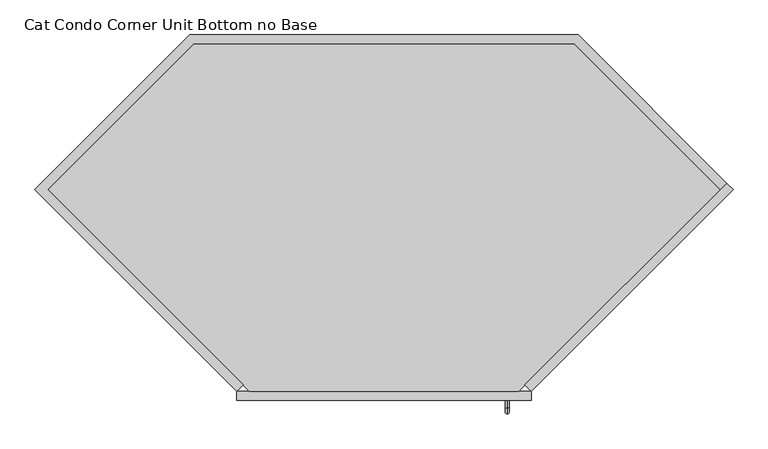
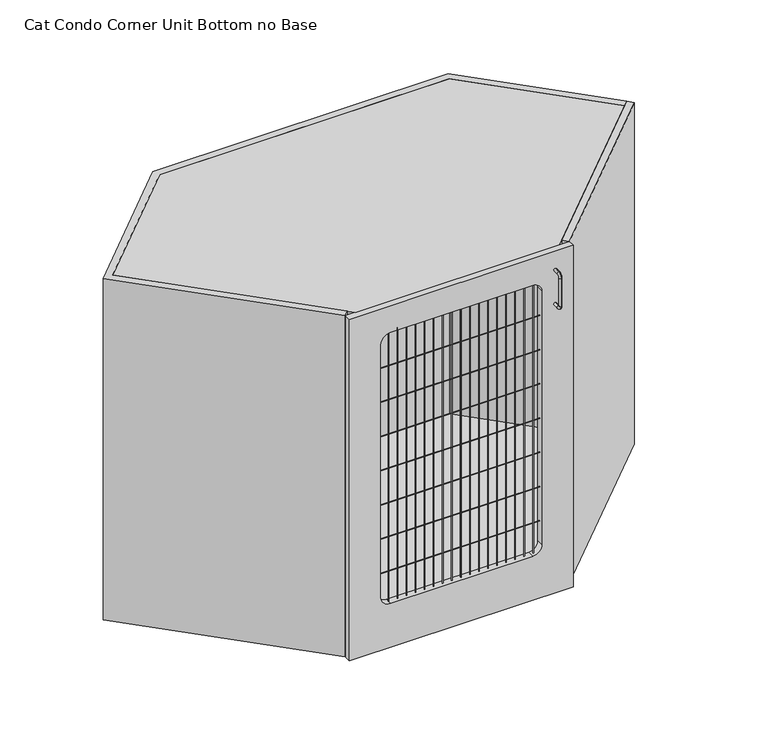
"""IFC4 building model written with IfcOpenShell, lengths in millimetres: proxy geometry, Cat Condo Corner Unit Bottom no Base."""

import ifcopenshell
import ifcopenshell.guid

model = None  # the IFC model being written
_history = None  # IfcOwnerHistory: only IFC2X3 demands one
_inside = {}  # id of a spatial element -> (the spatial element, [elements in it])
_under = {}  # id of a project, library or spatial element -> (it, [spatial elements below it])
_declared = {}  # id of a project -> (the project, [libraries it declares])
_typed = {}  # id of a type object -> (the type object, [elements of that type])
_made_of = {}  # id of a material, layer set ... -> (it, [elements and type objects made of it])


def new_model(schema):
    """Start an empty IFC model of exactly this schema.

    Asked for "IFC4X3", IfcOpenShell would pick the latest addendum, in which some entities
    have other attributes; the version numbers below select the first issue.
    IFC2X3 requires an IfcOwnerHistory on every rooted entity: one is made here for all.
    """
    global model, _history
    if schema == "IFC4X3":
        model = ifcopenshell.file(schema_version=(4, 3, 0, 0))
    else:
        model = ifcopenshell.file(schema=schema)
    _inside.clear()
    _under.clear()
    _declared.clear()
    _typed.clear()
    _made_of.clear()
    _history = None
    if model.schema == "IFC2X3":
        org = make("IfcOrganization", Name="unknown")
        user = make(
            "IfcPersonAndOrganization",
            ThePerson=make("IfcPerson", FamilyName="unknown"),
            TheOrganization=org,
        )
        app = make(
            "IfcApplication",
            ApplicationDeveloper=org,
            Version="unknown",
            ApplicationFullName="unknown",
            ApplicationIdentifier="unknown",
        )
        _history = make(
            "IfcOwnerHistory",
            OwningUser=user,
            OwningApplication=app,
            ChangeAction="ADDED",
            CreationDate=0,
        )
    return model


def make(cls, **values):
    """One entity of the class cls with the attributes given. An attribute that is None is left unset."""
    return model.create_entity(
        cls, **{name: value for name, value in values.items() if value is not None}
    )


def rooted(cls, **values):
    """An entity with a GlobalId (a new one), such as an element, a storey or a relation."""
    return make(cls, GlobalId=ifcopenshell.guid.new(), OwnerHistory=_history, **values)


def si_unit(unit_type, name, prefix=None):
    """IfcSIUnit, for example si_unit("LENGTHUNIT", "METRE", prefix="MILLI")."""
    return make("IfcSIUnit", UnitType=unit_type, Prefix=prefix, Name=name)


def assignment(units):
    """IfcUnitAssignment: the units of a project."""
    return None if units is None else make("IfcUnitAssignment", Units=units)


def point(xyz):
    """IfcCartesianPoint."""
    return None if xyz is None else make("IfcCartesianPoint", Coordinates=xyz)


def direction(xyz):
    """IfcDirection."""
    return None if xyz is None else make("IfcDirection", DirectionRatios=xyz)


def frame(location, z_axis=None, x_axis=None):
    """IfcAxis2Placement3D, a coordinate frame: its origin and axes. An axis left out is left unset."""
    return make(
        "IfcAxis2Placement3D",
        Location=point(location),
        Axis=direction(z_axis),
        RefDirection=direction(x_axis),
    )


def frame_2d(location, x_axis=None):
    """IfcAxis2Placement2D, a coordinate frame in the plane: its origin and x axis."""
    return make(
        "IfcAxis2Placement2D", Location=point(location), RefDirection=direction(x_axis)
    )


def origin():
    """The frame at (0, 0, 0) with its axes left unset."""
    return frame((0.0, 0.0, 0.0))


def place(relative_to, where):
    """IfcLocalPlacement: puts the frame where relative to a parent placement (None: the world)."""
    return make(
        "IfcLocalPlacement", PlacementRelTo=relative_to, RelativePlacement=where
    )


def context(
    kind, dimensions, precision=None, world=None, true_north=None, identifier=None
):
    """IfcGeometricRepresentationContext, for example the 3D "Model" context."""
    return make(
        "IfcGeometricRepresentationContext",
        ContextIdentifier=identifier,
        ContextType=kind,
        CoordinateSpaceDimension=dimensions,
        Precision=precision,
        WorldCoordinateSystem=world,
        TrueNorth=true_north,
    )


def project(units=None, contexts=None):
    """IfcProject with its units and contexts."""
    return rooted(
        "IfcProject",
        Name="project",
        RepresentationContexts=contexts,
        UnitsInContext=assignment(units),
    )


def spatial(cls, under=None, at=None, **own):
    """A site, building, storey or space (cls), placed at a placement, below another one or the project."""
    s = rooted(cls, ObjectPlacement=at, **own)
    if under is not None:
        _under.setdefault(under.id(), (under, []))[1].append(s)
    return s


def polyline(points):
    """IfcPolyline through the points."""
    return make("IfcPolyline", Points=[point(p) for p in points])


def circle_curve(where, radius):
    """IfcCircle in the frame where."""
    return make("IfcCircle", Position=where, Radius=radius)


def ellipse_curve(where, semi_axis1, semi_axis2):
    """IfcEllipse in the frame where."""
    return make(
        "IfcEllipse", Position=where, SemiAxis1=semi_axis1, SemiAxis2=semi_axis2
    )


def trimmed(basis, trim1, trim2, sense, master):
    """IfcTrimmedCurve: the piece of a basis curve between two trims."""
    return make(
        "IfcTrimmedCurve",
        BasisCurve=basis,
        Trim1=trim1,
        Trim2=trim2,
        SenseAgreement=sense,
        MasterRepresentation=master,
    )


def segment(curve, same_sense, transition):
    """IfcCompositeCurveSegment."""
    return make(
        "IfcCompositeCurveSegment",
        Transition=transition,
        SameSense=same_sense,
        ParentCurve=curve,
    )


def composite_curve(segments, self_intersect=None):
    """IfcCompositeCurve: segments joined end to end."""
    return make("IfcCompositeCurve", Segments=segments, SelfIntersect=self_intersect)


def outline(outer, holes=None, kind="AREA"):
    """IfcArbitraryClosedProfileDef: a profile drawn as a closed curve; with holes, ...WithVoids."""
    if holes is None:
        return make("IfcArbitraryClosedProfileDef", ProfileType=kind, OuterCurve=outer)
    return make(
        "IfcArbitraryProfileDefWithVoids",
        ProfileType=kind,
        OuterCurve=outer,
        InnerCurves=holes,
    )


def extrude(swept, where, along, depth):
    """IfcExtrudedAreaSolid: the profile swept, set in the frame where, extruded along a direction by depth."""
    return make(
        "IfcExtrudedAreaSolid",
        SweptArea=swept,
        Position=where,
        ExtrudedDirection=direction(along),
        Depth=depth,
    )


def shape(context_of_items, identifier, shape_type, items):
    """IfcShapeRepresentation: the items that make up one representation, for example the "Body"."""
    return make(
        "IfcShapeRepresentation",
        ContextOfItems=context_of_items,
        RepresentationIdentifier=identifier,
        RepresentationType=shape_type,
        Items=items,
    )


def source(mapping_origin, context_of_items, identifier, shape_type, items):
    """IfcRepresentationMap: a shape defined once, which mapped items show again and again."""
    return make(
        "IfcRepresentationMap",
        MappingOrigin=mapping_origin,
        MappedRepresentation=shape(context_of_items, identifier, shape_type, items),
    )


def transform(
    local_origin,
    x_axis=None,
    y_axis=None,
    z_axis=None,
    scale=None,
    scale2=None,
    scale3=None,
    uniform=True,
):
    """IfcCartesianTransformationOperator3D, or its non-uniform kind. x_axis, y_axis, z_axis: its Axis1, 2, 3."""
    if uniform:
        return make(
            "IfcCartesianTransformationOperator3D",
            Axis1=direction(x_axis),
            Axis2=direction(y_axis),
            LocalOrigin=point(local_origin),
            Scale=scale,
            Axis3=direction(z_axis),
        )
    return make(
        "IfcCartesianTransformationOperator3DnonUniform",
        Axis1=direction(x_axis),
        Axis2=direction(y_axis),
        LocalOrigin=point(local_origin),
        Scale=scale,
        Axis3=direction(z_axis),
        Scale2=scale2,
        Scale3=scale3,
    )


def mapped(mapping_source, mapping_target):
    """IfcMappedItem: shows the shape of a source again, moved by a transform."""
    return make(
        "IfcMappedItem", MappingSource=mapping_source, MappingTarget=mapping_target
    )


def made_of(thing, what):
    """Note that an element or type object is made of a material, layer set ...; save() writes the relation."""
    if what is not None:
        _made_of.setdefault(what.id(), (what, []))[1].append(thing)
    return thing


def element(
    cls,
    number,
    at=None,
    inside=None,
    cuts=None,
    type_object=None,
    material=None,
    context=None,
    identifier="Body",
    shape_type=None,
    held_by="IfcProductDefinitionShape",
    body=None,
    shapes=None,
    **own,
):
    """One element of the class cls, such as IfcWall. Its Tag is "e" and its number.

    at: its placement. inside: the storey or other place that contains it. cuts: it is an
    opening in that element (IfcRelVoidsElement). A single representation is given by context,
    identifier, shape_type and body (its items); several are given by shapes. held_by: the class
    of the entity that holds the representations. save() writes the other relations.
    """
    e = rooted(cls, Tag="e%d" % number, ObjectPlacement=at, **own)
    if body is not None:
        shapes = [shape(context, identifier, shape_type, body)]
    if shapes is not None:
        e.Representation = make(held_by, Representations=shapes)
    if inside is not None:
        _inside.setdefault(inside.id(), (inside, []))[1].append(e)
    if cuts is not None:
        rooted(
            "IfcRelVoidsElement", RelatingBuildingElement=cuts, RelatedOpeningElement=e
        )
    if type_object is not None:
        _typed.setdefault(type_object.id(), (type_object, []))[1].append(e)
    return made_of(e, material)


def aggregate(whole, parts):
    """IfcRelAggregates: a whole, such as a stair, and the parts it consists of."""
    return rooted("IfcRelAggregates", RelatingObject=whole, RelatedObjects=parts)


def save(model, path):
    """Write the relations noted so far, then the file.

    IfcRelAggregates (storeys below a building ...), IfcRelContainedInSpatialStructure (elements
    in a storey), IfcRelDefinesByType, IfcRelAssociatesMaterial and IfcRelDeclares: one each for
    every whole, place, type object, material and project.
    """
    for whole, parts in _under.values():
        aggregate(whole, parts)
    for where, things in _inside.values():
        rooted(
            "IfcRelContainedInSpatialStructure",
            RelatedElements=things,
            RelatingStructure=where,
        )
    for kind, things in _typed.values():
        rooted("IfcRelDefinesByType", RelatedObjects=things, RelatingType=kind)
    for what, things in _made_of.values():
        rooted("IfcRelAssociatesMaterial", RelatedObjects=things, RelatingMaterial=what)
    for by, libraries in _declared.values():
        rooted("IfcRelDeclares", RelatingContext=by, RelatedDefinitions=libraries)
    model.write(path)


def plane_surface(at):
    """IfcPlane: the flat surface through the origin of the frame at, square to its z axis."""
    return make("IfcPlane", Position=at)


def cylinder_surface(at, radius):
    """IfcCylindricalSurface: all points at the distance radius from the z axis of the frame at."""
    return make("IfcCylindricalSurface", Position=at, Radius=radius)


def revolved_surface(curve, axis_point, axis_direction):
    """IfcSurfaceOfRevolution: the curve turned about the line through axis_point along axis_direction."""
    return make(
        "IfcSurfaceOfRevolution",
        SweptCurve=make("IfcArbitraryOpenProfileDef", ProfileType="CURVE", Curve=curve),
        AxisPosition=make("IfcAxis1Placement", Location=point(axis_point), Axis=direction(axis_direction)),
    )


def advanced_brep(points, edges, surfaces, faces):
    """IfcAdvancedBrep: a solid bounded by faces that lie on surfaces and meet in shared edges.

    An edge is (start, end): straight between two places in points (the first is 0);
    or (start, end, curve); or (start, end, curve, False) where it runs against its curve.
    A face is (place in surfaces, loops), or (place, loops, False) where it looks against
    its surface's normal. A loop lists edges by number (the first is 1), with a minus sign
    where the edge is run from its end to its start. The first loop is the outer one.
    """
    corners = [point(p) for p in points]
    vertices = [make("IfcVertexPoint", VertexGeometry=c) for c in corners]
    made = []
    for start, end, *more in edges:
        made.append(
            make(
                "IfcEdgeCurve",
                EdgeStart=vertices[start],
                EdgeEnd=vertices[end],
                EdgeGeometry=more[0] if more else make("IfcPolyline", Points=[corners[start], corners[end]]),
                SameSense=more[1] if len(more) > 1 else True,
            )
        )
    hull = []
    for where, loops, *sense in faces:
        bounds = []
        for j, loop in enumerate(loops):
            ring = [make("IfcOrientedEdge", EdgeElement=made[abs(k) - 1], Orientation=k > 0) for k in loop]
            bounds.append(
                make(
                    "IfcFaceOuterBound" if j == 0 else "IfcFaceBound",
                    Bound=make("IfcEdgeLoop", EdgeList=ring),
                    Orientation=True,
                )
            )
        hull.append(make("IfcAdvancedFace", Bounds=bounds, FaceSurface=surfaces[where], SameSense=sense[0] if sense else True))
    return make("IfcAdvancedBrep", Outer=make("IfcClosedShell", CfsFaces=hull))


def cat_condo_corner_unit_bottom_no_base_5ee13dae(model_context):
    return source(origin(), model_context, "Body", "SolidModel", [
        advanced_brep(
        [(567.1128423, -19.05, 1056.5243154), (567.1128423, -19.05, 1064.3756846), (567.1128423, -35.2117768, 1056.5243154), (567.1128423, -35.2117768, 1064.3756846), (567.1128423, -48.3756846, 1051.2117768), (567.1128423, -40.5243154, 1051.2117768), (567.1128423, -40.5243154, 968.0882232), (567.1128423, -48.3756846, 968.0882232), (567.1128423, -35.2117768, 954.9243154), (567.1128423, -35.2117768, 962.7756846), (567.1128423, -19.05, 962.7756846), (567.1128423, -19.05, 954.9243154)],
        [
            (0, 1, circle_curve(frame((567.1128423, -19.05, 1060.45), z_axis=(0.0, 1.0, 0.0), x_axis=(0.0, 0.0, 1.0)), 3.9256846)),
            (1, 0, circle_curve(frame((567.1128423, -19.05, 1060.45), z_axis=(0.0, 1.0, 0.0), x_axis=(0.0, 0.0, 1.0)), 3.9256846)),
            (0, 2),
            (2, 3, circle_curve(frame((567.1128423, -35.2117768, 1060.45), z_axis=(0.0, 1.0, 0.0), x_axis=(0.0, 0.0, 1.0)), 3.9256846)),
            (3, 1),
            (3, 2, circle_curve(frame((567.1128423, -35.2117768, 1060.45), z_axis=(0.0, 1.0, 0.0), x_axis=(0.0, 0.0, 1.0)), 3.9256846)),
            (4, 3, circle_curve(frame((567.1128423, -35.2117768, 1051.2117768), z_axis=(-1.0, 0.0, 0.0), x_axis=(0.0, 0.0, 1.0)), 13.1639078)),
            (2, 5, circle_curve(frame((567.1128423, -35.2117768, 1051.2117768), z_axis=(1.0, 0.0, 0.0), x_axis=(0.0, 0.0, 1.0)), 5.3125387)),
            (5, 4, circle_curve(frame((567.1128423, -44.45, 1051.2117768), z_axis=(0.0, 0.0, 1.0), x_axis=(0.0, -1.0, 0.0)), 3.9256846)),
            (4, 5, circle_curve(frame((567.1128423, -44.45, 1051.2117768), z_axis=(0.0, 0.0, 1.0), x_axis=(0.0, -1.0, 0.0)), 3.9256846)),
            (5, 6),
            (6, 7, circle_curve(frame((567.1128423, -44.45, 968.0882232), z_axis=(0.0, 0.0, 1.0), x_axis=(0.0, -1.0, 0.0)), 3.9256846)),
            (7, 4),
            (7, 6, circle_curve(frame((567.1128423, -44.45, 968.0882232), z_axis=(0.0, 0.0, 1.0), x_axis=(0.0, -1.0, 0.0)), 3.9256846)),
            (8, 7, circle_curve(frame((567.1128423, -35.2117768, 968.0882232), z_axis=(-1.0, 0.0, 0.0), x_axis=(0.0, -1.0, 0.0)), 13.1639078)),
            (6, 9, circle_curve(frame((567.1128423, -35.2117768, 968.0882232), z_axis=(1.0, 0.0, 0.0), x_axis=(0.0, -1.0, 0.0)), 5.3125387)),
            (9, 8, circle_curve(frame((567.1128423, -35.2117768, 958.85), z_axis=(0.0, -1.0, 0.0), x_axis=(0.0, 0.0, -1.0)), 3.9256846)),
            (8, 9, circle_curve(frame((567.1128423, -35.2117768, 958.85), z_axis=(0.0, -1.0, 0.0), x_axis=(0.0, 0.0, -1.0)), 3.9256846)),
            (10, 11, circle_curve(frame((567.1128423, -19.05, 958.85), z_axis=(0.0, 1.0, 0.0), x_axis=(0.0, 0.0, -1.0)), 3.9256846)),
            (11, 10, circle_curve(frame((567.1128423, -19.05, 958.85), z_axis=(0.0, 1.0, 0.0), x_axis=(0.0, 0.0, -1.0)), 3.9256846)),
            (9, 10),
            (11, 8),
        ],
        [
            plane_surface(frame((567.1128423, -19.05, 1060.45), z_axis=(0.0, 1.0, 0.0), x_axis=(1.0, 0.0, 0.0))),
            cylinder_surface(frame((567.1128423, -19.05, 1060.45), z_axis=(0.0, 1.0, 0.0), x_axis=(0.0, 0.0, 1.0)), 3.9256846),
            revolved_surface(trimmed(ellipse_curve(frame((567.1128423, -35.2117768, 1060.45), z_axis=(0.0, 1.0, 0.0), x_axis=(0.0, 0.0, 1.0)), 3.9256846, 3.9256846), [point((567.1128423, -35.2117768, 1056.5243154))], [point((567.1128423, -35.2117768, 1064.3756846))], True, "CARTESIAN"), (567.1128423, -35.2117768, 1051.2117768), (1.0, 0.0, 0.0)),
            revolved_surface(trimmed(ellipse_curve(frame((567.1128423, -35.2117768, 1060.45), z_axis=(0.0, 1.0, 0.0), x_axis=(0.0, 0.0, 1.0)), 3.9256846, 3.9256846), [point((567.1128423, -35.2117768, 1064.3756846))], [point((567.1128423, -35.2117768, 1056.5243154))], True, "CARTESIAN"), (567.1128423, -35.2117768, 1051.2117768), (1.0, 0.0, 0.0)),
            cylinder_surface(frame((567.1128423, -44.45, 1051.2117768), z_axis=(0.0, 0.0, 1.0), x_axis=(0.0, -1.0, 0.0)), 3.9256846),
            revolved_surface(trimmed(ellipse_curve(frame((567.1128423, -44.45, 968.0882232), z_axis=(0.0, 0.0, 1.0), x_axis=(0.0, -1.0, 0.0)), 3.9256846, 3.9256846), [point((567.1128423, -40.5243154, 968.0882232))], [point((567.1128423, -48.3756846, 968.0882232))], True, "CARTESIAN"), (567.1128423, -35.2117768, 968.0882232), (1.0, 0.0, 0.0)),
            revolved_surface(trimmed(ellipse_curve(frame((567.1128423, -44.45, 968.0882232), z_axis=(0.0, 0.0, 1.0), x_axis=(0.0, -1.0, 0.0)), 3.9256846, 3.9256846), [point((567.1128423, -48.3756846, 968.0882232))], [point((567.1128423, -40.5243154, 968.0882232))], True, "CARTESIAN"), (567.1128423, -35.2117768, 968.0882232), (1.0, 0.0, 0.0)),
            plane_surface(frame((567.1128423, -19.05, 958.85), z_axis=(0.0, 1.0, 0.0), x_axis=(1.0, 0.0, 0.0))),
            cylinder_surface(frame((567.1128423, -35.2117768, 958.85), z_axis=(0.0, -1.0, 0.0), x_axis=(0.0, 0.0, -1.0)), 3.9256846),
        ],
        [
            (0, [[1, 2]]),
            (1, [[-1, 3, 4, 5]]),
            (1, [[-2, -5, 6, -3]]),
            (2, [[7, -4, 8, 9]]),
            (3, [[-8, -6, -7, 10]]),
            (4, [[-9, 11, 12, 13]]),
            (4, [[-10, -13, 14, -11]]),
            (5, [[15, -12, 16, 17]]),
            (6, [[-16, -14, -15, 18]]),
            (7, [[19, 20]]),
            (8, [[-17, 21, -20, 22]]),
            (8, [[-18, -22, -19, -21]]),
        ],
    ),
        extrude(outline(polyline([(1035.8671158, 444.522678), (1049.3375, 431.0522938), (618.2852062, 0.0), (604.814822, 13.4703842), (1035.8671158, 444.522678)])), frame((0.0, 0.0, 101.6), z_axis=(0.0, 0.0, 1.0), x_axis=(1.0, 0.0, 0.0)), (0.0, 0.0, 1.0), 1012.825),
        extrude(outline(polyline([(-110.3772938, 762.0), (718.3897938, 762.0), (1035.8671158, 444.522678), (1022.3967316, 431.0522938), (710.4990254, 742.95), (-102.4865254, 742.95), (-414.3842316, 431.0522938), (3.197678, 13.4703842), (-10.2727062, 0.0), (-441.325, 431.0522938), (-110.3772938, 762.0)])), frame((0.0, 0.0, 101.6), z_axis=(0.0, 0.0, 1.0), x_axis=(1.0, 0.0, 0.0)), (0.0, 0.0, 1.0), 1012.825),
        extrude(outline(polyline([(1022.3967316, 431.0522938), (591.3444378, 0.0), (16.6680622, 0.0), (-414.3842316, 431.0522938), (-102.4865254, 742.95), (710.4990254, 742.95), (1022.3967316, 431.0522938)])), frame((0.0, 0.0, 1095.375), z_axis=(0.0, 0.0, 1.0), x_axis=(1.0, 0.0, 0.0)), (0.0, 0.0, 1.0), 19.05),
        extrude(outline(polyline([(-102.4865254, 742.95), (710.4990254, 742.95), (1022.3967316, 431.0522938), (610.3944378, 19.05), (-2.3819378, 19.05), (-414.3842316, 431.0522938), (-102.4865254, 742.95)])), frame((0.0, 0.0, 101.6), z_axis=(0.0, 0.0, 1.0), x_axis=(1.0, 0.0, 0.0)), (0.0, 0.0, 1.0), 19.05),
        extrude(outline(composite_curve([segment(trimmed(circle_curve(frame_2d((-9.6602248, 931.8625)), 0.79375), [point((-9.6602248, 932.65625))], [point((-9.6602248, 931.06875))], False, "CARTESIAN"), True, "CONTINUOUS"), segment(trimmed(circle_curve(frame_2d((-9.6602248, 931.8625)), 0.79375), [point((-9.6602248, 931.06875))], [point((-9.6602248, 932.65625))], False, "CARTESIAN"), True, "CONTINUOUS")], self_intersect=False)), frame((78.58125, 0.0, 0.0), z_axis=(1.0, 0.0, 0.0), x_axis=(0.0, 1.0, 0.0)), (0.0, 0.0, 1.0), 450.85),
        extrude(outline(composite_curve([segment(trimmed(circle_curve(frame_2d((-9.6602248, 830.2625)), 0.79375), [point((-9.6602248, 831.05625))], [point((-9.6602248, 829.46875))], False, "CARTESIAN"), True, "CONTINUOUS"), segment(trimmed(circle_curve(frame_2d((-9.6602248, 830.2625)), 0.79375), [point((-9.6602248, 829.46875))], [point((-9.6602248, 831.05625))], False, "CARTESIAN"), True, "CONTINUOUS")], self_intersect=False)), frame((78.58125, 0.0, 0.0), z_axis=(1.0, 0.0, 0.0), x_axis=(0.0, 1.0, 0.0)), (0.0, 0.0, 1.0), 450.85),
        extrude(outline(composite_curve([segment(trimmed(circle_curve(frame_2d((-9.6602248, 728.6625)), 0.79375), [point((-9.6602248, 729.45625))], [point((-9.6602248, 727.86875))], False, "CARTESIAN"), True, "CONTINUOUS"), segment(trimmed(circle_curve(frame_2d((-9.6602248, 728.6625)), 0.79375), [point((-9.6602248, 727.86875))], [point((-9.6602248, 729.45625))], False, "CARTESIAN"), True, "CONTINUOUS")], self_intersect=False)), frame((78.58125, 0.0, 0.0), z_axis=(1.0, 0.0, 0.0), x_axis=(0.0, 1.0, 0.0)), (0.0, 0.0, 1.0), 450.85),
        extrude(outline(composite_curve([segment(trimmed(circle_curve(frame_2d((-9.6602248, 627.0625)), 0.79375), [point((-9.6602248, 627.85625))], [point((-9.6602248, 626.26875))], False, "CARTESIAN"), True, "CONTINUOUS"), segment(trimmed(circle_curve(frame_2d((-9.6602248, 627.0625)), 0.79375), [point((-9.6602248, 626.26875))], [point((-9.6602248, 627.85625))], False, "CARTESIAN"), True, "CONTINUOUS")], self_intersect=False)), frame((78.58125, 0.0, 0.0), z_axis=(1.0, 0.0, 0.0), x_axis=(0.0, 1.0, 0.0)), (0.0, 0.0, 1.0), 450.85),
        extrude(outline(composite_curve([segment(trimmed(circle_curve(frame_2d((-9.6602248, 525.4625)), 0.79375), [point((-9.6602248, 526.25625))], [point((-9.6602248, 524.66875))], False, "CARTESIAN"), True, "CONTINUOUS"), segment(trimmed(circle_curve(frame_2d((-9.6602248, 525.4625)), 0.79375), [point((-9.6602248, 524.66875))], [point((-9.6602248, 526.25625))], False, "CARTESIAN"), True, "CONTINUOUS")], self_intersect=False)), frame((78.58125, 0.0, 0.0), z_axis=(1.0, 0.0, 0.0), x_axis=(0.0, 1.0, 0.0)), (0.0, 0.0, 1.0), 450.85),
        extrude(outline(composite_curve([segment(trimmed(circle_curve(frame_2d((-9.6602248, 423.8625)), 0.79375), [point((-9.6602248, 424.65625))], [point((-9.6602248, 423.06875))], False, "CARTESIAN"), True, "CONTINUOUS"), segment(trimmed(circle_curve(frame_2d((-9.6602248, 423.8625)), 0.79375), [point((-9.6602248, 423.06875))], [point((-9.6602248, 424.65625))], False, "CARTESIAN"), True, "CONTINUOUS")], self_intersect=False)), frame((78.58125, 0.0, 0.0), z_axis=(1.0, 0.0, 0.0), x_axis=(0.0, 1.0, 0.0)), (0.0, 0.0, 1.0), 450.85),
        extrude(outline(composite_curve([segment(trimmed(circle_curve(frame_2d((-9.6602248, 322.2625)), 0.79375), [point((-9.6602248, 323.05625))], [point((-9.6602248, 321.46875))], False, "CARTESIAN"), True, "CONTINUOUS"), segment(trimmed(circle_curve(frame_2d((-9.6602248, 322.2625)), 0.79375), [point((-9.6602248, 321.46875))], [point((-9.6602248, 323.05625))], False, "CARTESIAN"), True, "CONTINUOUS")], self_intersect=False)), frame((78.58125, 0.0, 0.0), z_axis=(1.0, 0.0, 0.0), x_axis=(0.0, 1.0, 0.0)), (0.0, 0.0, 1.0), 450.85),
        extrude(outline(composite_curve([segment(trimmed(circle_curve(frame_2d((511.0919665, -9.6602248)), 0.79375), [point((510.2982165, -9.6602248))], [point((511.8857165, -9.6602248))], False, "CARTESIAN"), True, "CONTINUOUS"), segment(trimmed(circle_curve(frame_2d((511.0919665, -9.6602248)), 0.79375), [point((511.8857165, -9.6602248))], [point((510.2982165, -9.6602248))], False, "CARTESIAN"), True, "CONTINUOUS")], self_intersect=False)), frame((0.0, 0.0, 231.775), z_axis=(0.0, 0.0, 1.0), x_axis=(1.0, 0.0, 0.0)), (0.0, 0.0, 1.0), 803.275),
        extrude(outline(composite_curve([segment(trimmed(circle_curve(frame_2d((485.6919665, -9.6602248)), 0.79375), [point((484.8982165, -9.6602248))], [point((486.4857165, -9.6602248))], False, "CARTESIAN"), True, "CONTINUOUS"), segment(trimmed(circle_curve(frame_2d((485.6919665, -9.6602248)), 0.79375), [point((486.4857165, -9.6602248))], [point((484.8982165, -9.6602248))], False, "CARTESIAN"), True, "CONTINUOUS")], self_intersect=False)), frame((0.0, 0.0, 231.775), z_axis=(0.0, 0.0, 1.0), x_axis=(1.0, 0.0, 0.0)), (0.0, 0.0, 1.0), 803.275),
        extrude(outline(composite_curve([segment(trimmed(circle_curve(frame_2d((460.2919665, -9.6602248)), 0.79375), [point((459.4982165, -9.6602248))], [point((461.0857165, -9.6602248))], False, "CARTESIAN"), True, "CONTINUOUS"), segment(trimmed(circle_curve(frame_2d((460.2919665, -9.6602248)), 0.79375), [point((461.0857165, -9.6602248))], [point((459.4982165, -9.6602248))], False, "CARTESIAN"), True, "CONTINUOUS")], self_intersect=False)), frame((0.0, 0.0, 231.775), z_axis=(0.0, 0.0, 1.0), x_axis=(1.0, 0.0, 0.0)), (0.0, 0.0, 1.0), 803.275),
        extrude(outline(composite_curve([segment(trimmed(circle_curve(frame_2d((434.8919665, -9.6602248)), 0.79375), [point((434.0982165, -9.6602248))], [point((435.6857165, -9.6602248))], False, "CARTESIAN"), True, "CONTINUOUS"), segment(trimmed(circle_curve(frame_2d((434.8919665, -9.6602248)), 0.79375), [point((435.6857165, -9.6602248))], [point((434.0982165, -9.6602248))], False, "CARTESIAN"), True, "CONTINUOUS")], self_intersect=False)), frame((0.0, 0.0, 231.775), z_axis=(0.0, 0.0, 1.0), x_axis=(1.0, 0.0, 0.0)), (0.0, 0.0, 1.0), 803.275),
        extrude(outline(composite_curve([segment(trimmed(circle_curve(frame_2d((409.4919665, -9.6602248)), 0.79375), [point((408.6982165, -9.6602248))], [point((410.2857165, -9.6602248))], False, "CARTESIAN"), True, "CONTINUOUS"), segment(trimmed(circle_curve(frame_2d((409.4919665, -9.6602248)), 0.79375), [point((410.2857165, -9.6602248))], [point((408.6982165, -9.6602248))], False, "CARTESIAN"), True, "CONTINUOUS")], self_intersect=False)), frame((0.0, 0.0, 231.775), z_axis=(0.0, 0.0, 1.0), x_axis=(1.0, 0.0, 0.0)), (0.0, 0.0, 1.0), 803.275),
        extrude(outline(composite_curve([segment(trimmed(circle_curve(frame_2d((384.0919665, -9.6602248)), 0.79375), [point((383.2982165, -9.6602248))], [point((384.8857165, -9.6602248))], False, "CARTESIAN"), True, "CONTINUOUS"), segment(trimmed(circle_curve(frame_2d((384.0919665, -9.6602248)), 0.79375), [point((384.8857165, -9.6602248))], [point((383.2982165, -9.6602248))], False, "CARTESIAN"), True, "CONTINUOUS")], self_intersect=False)), frame((0.0, 0.0, 231.775), z_axis=(0.0, 0.0, 1.0), x_axis=(1.0, 0.0, 0.0)), (0.0, 0.0, 1.0), 803.275),
        extrude(outline(composite_curve([segment(trimmed(circle_curve(frame_2d((358.6919665, -9.6602248)), 0.79375), [point((357.8982165, -9.6602248))], [point((359.4857165, -9.6602248))], False, "CARTESIAN"), True, "CONTINUOUS"), segment(trimmed(circle_curve(frame_2d((358.6919665, -9.6602248)), 0.79375), [point((359.4857165, -9.6602248))], [point((357.8982165, -9.6602248))], False, "CARTESIAN"), True, "CONTINUOUS")], self_intersect=False)), frame((0.0, 0.0, 231.775), z_axis=(0.0, 0.0, 1.0), x_axis=(1.0, 0.0, 0.0)), (0.0, 0.0, 1.0), 803.275),
        extrude(outline(composite_curve([segment(trimmed(circle_curve(frame_2d((333.2919665, -9.6602248)), 0.79375), [point((332.4982165, -9.6602248))], [point((334.0857165, -9.6602248))], False, "CARTESIAN"), True, "CONTINUOUS"), segment(trimmed(circle_curve(frame_2d((333.2919665, -9.6602248)), 0.79375), [point((334.0857165, -9.6602248))], [point((332.4982165, -9.6602248))], False, "CARTESIAN"), True, "CONTINUOUS")], self_intersect=False)), frame((0.0, 0.0, 231.775), z_axis=(0.0, 0.0, 1.0), x_axis=(1.0, 0.0, 0.0)), (0.0, 0.0, 1.0), 803.275),
        extrude(outline(composite_curve([segment(trimmed(circle_curve(frame_2d((307.8919665, -9.6602248)), 0.79375), [point((307.0982165, -9.6602248))], [point((308.6857165, -9.6602248))], False, "CARTESIAN"), True, "CONTINUOUS"), segment(trimmed(circle_curve(frame_2d((307.8919665, -9.6602248)), 0.79375), [point((308.6857165, -9.6602248))], [point((307.0982165, -9.6602248))], False, "CARTESIAN"), True, "CONTINUOUS")], self_intersect=False)), frame((0.0, 0.0, 231.775), z_axis=(0.0, 0.0, 1.0), x_axis=(1.0, 0.0, 0.0)), (0.0, 0.0, 1.0), 803.275),
        extrude(outline(composite_curve([segment(trimmed(circle_curve(frame_2d((282.4919665, -9.6602248)), 0.79375), [point((281.6982165, -9.6602248))], [point((283.2857165, -9.6602248))], False, "CARTESIAN"), True, "CONTINUOUS"), segment(trimmed(circle_curve(frame_2d((282.4919665, -9.6602248)), 0.79375), [point((283.2857165, -9.6602248))], [point((281.6982165, -9.6602248))], False, "CARTESIAN"), True, "CONTINUOUS")], self_intersect=False)), frame((0.0, 0.0, 231.775), z_axis=(0.0, 0.0, 1.0), x_axis=(1.0, 0.0, 0.0)), (0.0, 0.0, 1.0), 803.275),
        extrude(outline(composite_curve([segment(trimmed(circle_curve(frame_2d((257.0919665, -9.6602248)), 0.79375), [point((256.2982165, -9.6602248))], [point((257.8857165, -9.6602248))], False, "CARTESIAN"), True, "CONTINUOUS"), segment(trimmed(circle_curve(frame_2d((257.0919665, -9.6602248)), 0.79375), [point((257.8857165, -9.6602248))], [point((256.2982165, -9.6602248))], False, "CARTESIAN"), True, "CONTINUOUS")], self_intersect=False)), frame((0.0, 0.0, 231.775), z_axis=(0.0, 0.0, 1.0), x_axis=(1.0, 0.0, 0.0)), (0.0, 0.0, 1.0), 803.275),
        extrude(outline(composite_curve([segment(trimmed(circle_curve(frame_2d((231.6919665, -9.6602248)), 0.79375), [point((230.8982165, -9.6602248))], [point((232.4857165, -9.6602248))], False, "CARTESIAN"), True, "CONTINUOUS"), segment(trimmed(circle_curve(frame_2d((231.6919665, -9.6602248)), 0.79375), [point((232.4857165, -9.6602248))], [point((230.8982165, -9.6602248))], False, "CARTESIAN"), True, "CONTINUOUS")], self_intersect=False)), frame((0.0, 0.0, 231.775), z_axis=(0.0, 0.0, 1.0), x_axis=(1.0, 0.0, 0.0)), (0.0, 0.0, 1.0), 803.275),
        extrude(outline(composite_curve([segment(trimmed(circle_curve(frame_2d((206.2919665, -9.6602248)), 0.79375), [point((205.4982165, -9.6602248))], [point((207.0857165, -9.6602248))], False, "CARTESIAN"), True, "CONTINUOUS"), segment(trimmed(circle_curve(frame_2d((206.2919665, -9.6602248)), 0.79375), [point((207.0857165, -9.6602248))], [point((205.4982165, -9.6602248))], False, "CARTESIAN"), True, "CONTINUOUS")], self_intersect=False)), frame((0.0, 0.0, 231.775), z_axis=(0.0, 0.0, 1.0), x_axis=(1.0, 0.0, 0.0)), (0.0, 0.0, 1.0), 803.275),
        extrude(outline(composite_curve([segment(trimmed(circle_curve(frame_2d((180.8919665, -9.6602248)), 0.79375), [point((180.0982165, -9.6602248))], [point((181.6857165, -9.6602248))], False, "CARTESIAN"), True, "CONTINUOUS"), segment(trimmed(circle_curve(frame_2d((180.8919665, -9.6602248)), 0.79375), [point((181.6857165, -9.6602248))], [point((180.0982165, -9.6602248))], False, "CARTESIAN"), True, "CONTINUOUS")], self_intersect=False)), frame((0.0, 0.0, 231.775), z_axis=(0.0, 0.0, 1.0), x_axis=(1.0, 0.0, 0.0)), (0.0, 0.0, 1.0), 803.275),
        extrude(outline(composite_curve([segment(trimmed(circle_curve(frame_2d((155.4919665, -9.6602248)), 0.79375), [point((154.6982165, -9.6602248))], [point((156.2857165, -9.6602248))], False, "CARTESIAN"), True, "CONTINUOUS"), segment(trimmed(circle_curve(frame_2d((155.4919665, -9.6602248)), 0.79375), [point((156.2857165, -9.6602248))], [point((154.6982165, -9.6602248))], False, "CARTESIAN"), True, "CONTINUOUS")], self_intersect=False)), frame((0.0, 0.0, 231.775), z_axis=(0.0, 0.0, 1.0), x_axis=(1.0, 0.0, 0.0)), (0.0, 0.0, 1.0), 803.275),
        extrude(outline(composite_curve([segment(trimmed(circle_curve(frame_2d((130.0919665, -9.6602248)), 0.79375), [point((129.2982165, -9.6602248))], [point((130.8857165, -9.6602248))], False, "CARTESIAN"), True, "CONTINUOUS"), segment(trimmed(circle_curve(frame_2d((130.0919665, -9.6602248)), 0.79375), [point((130.8857165, -9.6602248))], [point((129.2982165, -9.6602248))], False, "CARTESIAN"), True, "CONTINUOUS")], self_intersect=False)), frame((0.0, 0.0, 231.775), z_axis=(0.0, 0.0, 1.0), x_axis=(1.0, 0.0, 0.0)), (0.0, 0.0, 1.0), 803.275),
        extrude(outline(composite_curve([segment(trimmed(circle_curve(frame_2d((104.6919665, -9.6602248)), 0.79375), [point((103.8982165, -9.6602248))], [point((105.4857165, -9.6602248))], False, "CARTESIAN"), True, "CONTINUOUS"), segment(trimmed(circle_curve(frame_2d((104.6919665, -9.6602248)), 0.79375), [point((105.4857165, -9.6602248))], [point((103.8982165, -9.6602248))], False, "CARTESIAN"), True, "CONTINUOUS")], self_intersect=False)), frame((0.0, 0.0, 231.775), z_axis=(0.0, 0.0, 1.0), x_axis=(1.0, 0.0, 0.0)), (0.0, 0.0, 1.0), 803.275),
        extrude(outline(polyline([(1114.425, 618.2852062), (1114.425, -10.2727062), (101.6, -10.2727062), (101.6, 618.2852062), (1114.425, 618.2852062)]), holes=[composite_curve([segment(polyline([(1035.05, 103.98125), (1035.05, 504.03125)]), True, "CONTINUOUS"), segment(trimmed(circle_curve(frame_2d((1009.65, 504.03125)), 25.4), [point((1035.05, 504.03125))], [point((1009.65, 529.43125))], True, "CARTESIAN"), True, "CONTINUOUS"), segment(polyline([(1009.65, 529.43125), (257.175, 529.43125)]), True, "CONTINUOUS"), segment(trimmed(circle_curve(frame_2d((257.175, 504.03125)), 25.4), [point((257.175, 529.43125))], [point((231.775, 504.03125))], True, "CARTESIAN"), True, "CONTINUOUS"), segment(polyline([(231.775, 504.03125), (231.775, 103.98125)]), True, "CONTINUOUS"), segment(trimmed(circle_curve(frame_2d((257.175, 103.98125)), 25.4), [point((231.775, 103.98125))], [point((257.175, 78.58125))], True, "CARTESIAN"), True, "CONTINUOUS"), segment(polyline([(257.175, 78.58125), (1009.65, 78.58125)]), True, "CONTINUOUS"), segment(trimmed(circle_curve(frame_2d((1009.65, 103.98125)), 25.4), [point((1009.65, 78.58125))], [point((1035.05, 103.98125))], True, "CARTESIAN"), True, "CONTINUOUS")], self_intersect=False)]), frame((0.0, -19.05, 0.0), z_axis=(0.0, 1.0, 0.0), x_axis=(0.0, 0.0, 1.0)), (0.0, 0.0, 1.0), 19.05),
    ])


if __name__ == "__main__":
    model = new_model("IFC4")
    model_context = context("Model", 3, world=origin())
    ifc_project = project(units=[si_unit("LENGTHUNIT", "METRE", prefix="MILLI")], contexts=[model_context])
    site = spatial("IfcSite", under=ifc_project)
    building = spatial("IfcBuilding", under=site)
    placement = place(None, origin())
    cat_condo_corner_unit_bottom_no_base_shape = cat_condo_corner_unit_bottom_no_base_5ee13dae(model_context)
    element("IfcBuildingElementProxy", 1, Name="Cat Condo Corner Unit Bottom no Base", ObjectType="Cat Condo Corner Unit Bottom no Base", at=placement, inside=building, context=model_context, shape_type="MappedRepresentation", body=[
        mapped(cat_condo_corner_unit_bottom_no_base_shape, transform((0.0, 0.0, 0.0), x_axis=(1.0, 0.0, 0.0), y_axis=(0.0, 1.0, 0.0), z_axis=(0.0, 0.0, 1.0))),
    ])
    save(model, "model.ifc")
